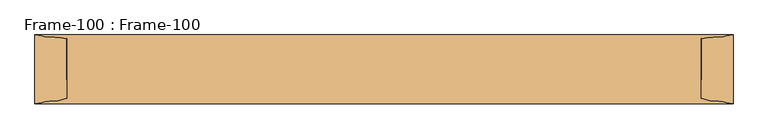
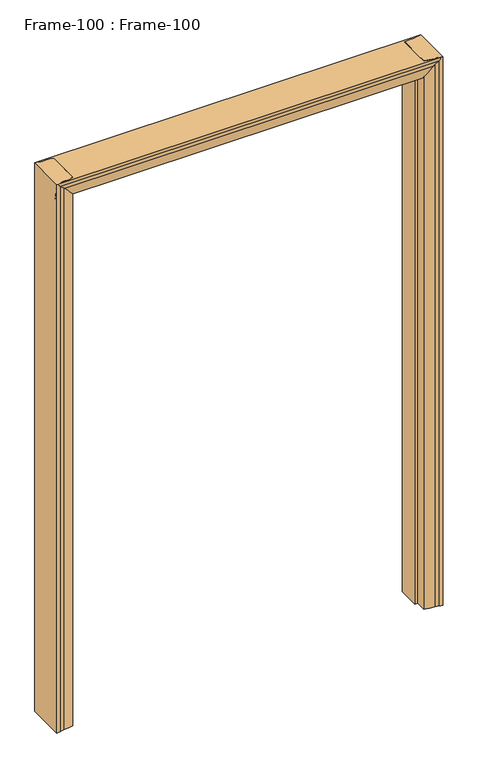
"""IFC4 building model written with IfcOpenShell, lengths in millimetres: door geometry, Frame-100 : Frame-100."""

from ifc_helpers import new_model, si_unit, frame, origin, place, context, project, spatial, polyline, circle_curve, ellipse_curve, source, transform, mapped, element, save
from ifc_brep_helpers import plane_surface, cylinder_surface, revolved_surface, advanced_brep


def frame_100_frame_100_92fc3688(model_context):
    return source(origin(), model_context, "Body", "AdvancedBrep", [
        advanced_brep(
        [(-838.2, 82.55, 0.0), (-822.7106804, 80.0334981, 0.0), (-805.2091669, 76.956654, 0.0), (-790.0430108, 76.956654, 0.0), (-749.3, 69.85, 0.0), (-749.3, -25.4, 0.0), (-762.0, -25.4, 0.0), (-762.0, -69.85, 0.0), (-805.2091669, -76.956654, 0.0), (-822.7106804, -80.0334981, 0.0), (-838.2, -82.55, 0.0), (-838.2, -82.55, 2514.6), (-838.2, 82.55, 2514.6), (-822.7106804, -80.0334981, 2514.6), (-805.2091669, -76.956654, 2514.6), (-762.0, -69.85, 2514.6), (-762.0, -25.4, 2514.6), (-749.3, -25.4, 2501.9), (-749.3, 69.85, 2501.9), (-790.0430108, 76.956654, 2514.6), (-762.0, 73.6437313, 2514.6), (-805.2091669, 76.956654, 2514.6), (-822.7106804, 80.0334981, 2514.6)],
        [
            (0, 1, circle_curve(frame((-837.1670501, 39.9805064, 0.0), z_axis=(0.0, 0.0, -1.0), x_axis=(-1.0, 0.0, 0.0)), 42.582024)),
            (1, 2, circle_curve(frame((-805.1225129, 128.7634863, 0.0), z_axis=(0.0, 0.0, 1.0), x_axis=(-1.0, 0.0, 0.0)), 51.8069048)),
            (2, 3),
            (3, 4, circle_curve(frame((-790.0430108, -43.3881292, 0.0), z_axis=(0.0, 0.0, -1.0), x_axis=(-1.0, 0.0, 0.0)), 120.3447831)),
            (4, 5),
            (5, 6),
            (6, 7),
            (7, 8, circle_curve(frame((-805.4371432, 59.3408202, 0.0), z_axis=(0.0, 0.0, -1.0), x_axis=(-1.0, 0.0, 0.0)), 136.2976648)),
            (8, 9, circle_curve(frame((-805.1225129, -128.7634863, 0.0), z_axis=(0.0, 0.0, 1.0), x_axis=(-1.0, 0.0, 0.0)), 51.8069047)),
            (9, 10, circle_curve(frame((-837.1670501, -39.9805064, 0.0), z_axis=(0.0, 0.0, -1.0), x_axis=(-1.0, 0.0, 0.0)), 42.582024)),
            (10, 0),
            (10, 11),
            (11, 12),
            (12, 0),
            (9, 13),
            (13, 11, circle_curve(frame((-837.1670501, -39.9805064, 2514.6), z_axis=(0.0, 0.0, -1.0), x_axis=(-1.0, 0.0, 0.0)), 42.582024)),
            (8, 14),
            (14, 13, circle_curve(frame((-805.1225129, -128.7634863, 2514.6), z_axis=(0.0, 0.0, 1.0), x_axis=(-1.0, 0.0, 0.0)), 51.8069047)),
            (7, 15),
            (15, 14, circle_curve(frame((-805.4371432, 59.3408202, 2514.6), z_axis=(0.0, 0.0, -1.0), x_axis=(-1.0, 0.0, 0.0)), 136.2976648)),
            (6, 16),
            (16, 15),
            (5, 17),
            (17, 16),
            (4, 18),
            (18, 17),
            (3, 19),
            (19, 20, circle_curve(frame((-790.0430108, -43.3881292, 2514.6), z_axis=(0.0, 0.0, -1.0), x_axis=(-1.0, 0.0, 0.0)), 120.3447831)),
            (20, 18, ellipse_curve(frame((-790.0430108, -43.3881292, 2542.6430108), z_axis=(-0.707106781186545, 0.0, -0.7071067811865501), x_axis=(0.7071067811865502, 0.0, -0.7071067811865448)), 170.1932244, 120.3447831)),
            (2, 21),
            (21, 19),
            (1, 22),
            (22, 21, circle_curve(frame((-805.1225129, 128.7634863, 2514.6), z_axis=(0.0, 0.0, 1.0), x_axis=(-1.0, 0.0, 0.0)), 51.8069048)),
            (12, 22, circle_curve(frame((-837.1670501, 39.9805064, 2514.6), z_axis=(0.0, 0.0, -1.0), x_axis=(-1.0, 0.0, 0.0)), 42.582024)),
            (20, 16),
        ],
        [
            plane_surface(frame((-838.2, -69.85, 0.0), z_axis=(0.0, 0.0, -1.0), x_axis=(0.0, 1.0, 0.0))),
            plane_surface(frame((-838.2, 82.55, 0.0), z_axis=(-1.0, 0.0, 0.0), x_axis=(0.0, 0.0, 1.0))),
            cylinder_surface(frame((-837.1670501, -39.9805064, 0.0), z_axis=(0.0, 0.0, -1.0), x_axis=(-1.0, 0.0, 0.0)), 42.582024),
            revolved_surface(polyline([(-856.9294176, -128.7634863, 2514.6), (-856.9294176, -128.7634863, 0.0)]), (-805.1225129, -128.7634863, 0.0), (0.0, 0.0, 1.0)),
            cylinder_surface(frame((-805.4371432, 59.3408202, 0.0), z_axis=(0.0, 0.0, -1.0), x_axis=(-1.0, 0.0, 0.0)), 136.2976648),
            plane_surface(frame((-762.0, -69.85, 0.0), z_axis=(1.0, 0.0, 0.0), x_axis=(0.0, 0.0, 1.0))),
            plane_surface(frame((-762.0, -25.4, 0.0), z_axis=(0.0, -1.0, 0.0), x_axis=(0.0, 0.0, 1.0))),
            plane_surface(frame((-749.3, -25.4, 0.0), z_axis=(1.0, 0.0, 0.0), x_axis=(0.0, 0.0, 1.0))),
            cylinder_surface(frame((-790.0430108, -43.3881292, 0.0), z_axis=(0.0, 0.0, -1.0), x_axis=(-1.0, 0.0, 0.0)), 120.3447831),
            plane_surface(frame((-790.0430108, 76.956654, 0.0), z_axis=(0.0, 1.0, 0.0), x_axis=(0.0, 0.0, 1.0))),
            revolved_surface(polyline([(-856.9294176999999, 128.7634863, 2514.6), (-856.9294176999999, 128.7634863, 0.0)]), (-805.1225129, 128.7634863, 0.0), (0.0, 0.0, 1.0)),
            cylinder_surface(frame((-837.1670501, 39.9805064, 0.0), z_axis=(0.0, 0.0, -1.0), x_axis=(-1.0, 0.0, 0.0)), 42.582024),
            plane_surface(frame((-762.0, 107.95, 2514.6), z_axis=(0.707106781186545, 0.0, 0.7071067811865501), x_axis=(0.0, -1.0, 0.0))),
            plane_surface(frame((-838.2, -69.85, 2514.6), z_axis=(0.0, 0.0, 1.0), x_axis=(0.0, 1.0, 0.0))),
        ],
        [
            (0, [[1, 2, 3, 4, 5, 6, 7, 8, 9, 10, 11]]),
            (1, [[12, 13, 14, -11]]),
            (2, [[15, 16, -12, -10]]),
            (3, [[17, 18, -15, -9]]),
            (4, [[19, 20, -17, -8]]),
            (5, [[21, 22, -19, -7]]),
            (6, [[23, 24, -21, -6]]),
            (7, [[25, 26, -23, -5]]),
            (8, [[27, 28, 29, -25, -4]]),
            (9, [[30, 31, -27, -3]]),
            (10, [[32, 33, -30, -2]]),
            (11, [[-14, 34, -32, -1]]),
            (12, [[35, -24, -26, -29]]),
            (13, [[-13, -16, -18, -20, -22, -35, -28, -31, -33, -34]]),
        ],
    ),
        advanced_brep(
        [(838.2, 82.55, 0.0), (838.2, -82.55, 0.0), (822.7106804, -80.0334981, 0.0), (805.2091669, -76.956654, 0.0), (762.0, -69.85, 0.0), (762.0, -25.4, 0.0), (749.3, -25.4, 0.0), (749.3, 69.85, 0.0), (790.0430108, 76.956654, 0.0), (805.2091669, 76.956654, 0.0), (822.7106804, 80.0334981, 0.0), (822.7106804, 80.0334981, 2514.6), (838.2, 82.55, 2514.6), (805.2091669, 76.956654, 2514.6), (790.0430108, 76.956654, 2514.6), (749.3, 69.85, 2501.9), (762.0, 73.6437313, 2514.6), (749.3, -25.4, 2501.9), (762.0, -25.4, 2514.6), (762.0, -69.85, 2514.6), (805.2091669, -76.956654, 2514.6), (822.7106804, -80.0334981, 2514.6), (838.2, -82.55, 2514.6)],
        [
            (0, 1),
            (1, 2, circle_curve(frame((837.1670501, -39.9805064, 0.0), z_axis=(0.0, 0.0, -1.0), x_axis=(-1.0, 0.0, 0.0)), 42.582024)),
            (2, 3, circle_curve(frame((805.1225129, -128.7634863, 0.0), z_axis=(0.0, 0.0, 1.0), x_axis=(-1.0, 0.0, 0.0)), 51.8069048)),
            (3, 4, circle_curve(frame((805.4371432, 59.3408202, 0.0), z_axis=(0.0, 0.0, -1.0), x_axis=(-1.0, 0.0, 0.0)), 136.2976648)),
            (4, 5),
            (5, 6),
            (6, 7),
            (7, 8, circle_curve(frame((790.0430108, -43.3881292, 0.0), z_axis=(0.0, 0.0, -1.0), x_axis=(-1.0, 0.0, 0.0)), 120.3447831)),
            (8, 9),
            (9, 10, circle_curve(frame((805.1225129, 128.7634863, 0.0), z_axis=(0.0, 0.0, 1.0), x_axis=(-1.0, 0.0, 0.0)), 51.8069048)),
            (10, 0, circle_curve(frame((837.1670501, 39.9805064, 0.0), z_axis=(0.0, 0.0, -1.0), x_axis=(-1.0, 0.0, 0.0)), 42.582024)),
            (10, 11),
            (11, 12, circle_curve(frame((837.1670501, 39.9805064, 2514.6), z_axis=(0.0, 0.0, -1.0), x_axis=(-1.0, 0.0, 0.0)), 42.582024)),
            (12, 0),
            (9, 13),
            (13, 11, circle_curve(frame((805.1225129, 128.7634863, 2514.6), z_axis=(0.0, 0.0, 1.0), x_axis=(-1.0, 0.0, 0.0)), 51.8069048)),
            (8, 14),
            (14, 13),
            (7, 15),
            (15, 16, ellipse_curve(frame((790.0430108, -43.3881292, 2542.6430108), z_axis=(0.7071067811865462, 0.0, -0.7071067811865488), x_axis=(-0.7071067811865488, 0.0, -0.7071067811865462)), 170.1932244, 120.3447831)),
            (16, 14, circle_curve(frame((790.0430108, -43.3881292, 2514.6), z_axis=(0.0, 0.0, -1.0), x_axis=(-1.0, 0.0, 0.0)), 120.3447831)),
            (6, 17),
            (17, 15),
            (5, 18),
            (18, 17),
            (4, 19),
            (19, 18),
            (3, 20),
            (20, 19, circle_curve(frame((805.4371432, 59.3408202, 2514.6), z_axis=(0.0, 0.0, -1.0), x_axis=(-1.0, 0.0, 0.0)), 136.2976648)),
            (2, 21),
            (21, 20, circle_curve(frame((805.1225129, -128.7634863, 2514.6), z_axis=(0.0, 0.0, 1.0), x_axis=(-1.0, 0.0, 0.0)), 51.8069048)),
            (1, 22),
            (22, 21, circle_curve(frame((837.1670501, -39.9805064, 2514.6), z_axis=(0.0, 0.0, -1.0), x_axis=(-1.0, 0.0, 0.0)), 42.582024)),
            (12, 22),
            (18, 16),
        ],
        [
            plane_surface(frame((838.2, -69.85, 0.0), z_axis=(0.0, 0.0, -1.0), x_axis=(0.0, 1.0, 0.0))),
            cylinder_surface(frame((837.1670501, 39.9805064, 0.0), z_axis=(0.0, 0.0, -1.0), x_axis=(-1.0, 0.0, 0.0)), 42.582024),
            revolved_surface(polyline([(753.3156081, 128.7634863, 2514.6), (753.3156081, 128.7634863, 0.0)]), (805.1225129, 128.7634863, 0.0), (0.0, 0.0, 1.0)),
            plane_surface(frame((805.2091669, 76.956654, 0.0), z_axis=(0.0, 1.0, 0.0), x_axis=(0.0, 0.0, 1.0))),
            cylinder_surface(frame((790.0430108, -43.3881292, 0.0), z_axis=(0.0, 0.0, -1.0), x_axis=(-1.0, 0.0, 0.0)), 120.3447831),
            plane_surface(frame((749.3, 69.85, 0.0), z_axis=(-1.0, 0.0, 0.0), x_axis=(0.0, 0.0, 1.0))),
            plane_surface(frame((749.3, -25.4, 0.0), z_axis=(0.0, -1.0, 0.0), x_axis=(0.0, 0.0, 1.0))),
            plane_surface(frame((762.0, -25.4, 0.0), z_axis=(-1.0, 0.0, 0.0), x_axis=(0.0, 0.0, 1.0))),
            cylinder_surface(frame((805.4371432, 59.3408202, 0.0), z_axis=(0.0, 0.0, -1.0), x_axis=(-1.0, 0.0, 0.0)), 136.2976648),
            revolved_surface(polyline([(753.3156081, -128.7634863, 2514.6), (753.3156081, -128.7634863, 0.0)]), (805.1225129, -128.7634863, 0.0), (0.0, 0.0, 1.0)),
            cylinder_surface(frame((837.1670501, -39.9805064, 0.0), z_axis=(0.0, 0.0, -1.0), x_axis=(-1.0, 0.0, 0.0)), 42.582024),
            plane_surface(frame((838.2, -82.55, 0.0), z_axis=(1.0, 0.0, 0.0), x_axis=(0.0, 0.0, 1.0))),
            plane_surface(frame((723.9, 107.95, 2476.5), z_axis=(-0.7071067811865462, 0.0, 0.7071067811865488), x_axis=(0.0, -1.0, 0.0))),
            plane_surface(frame((838.2, -69.85, 2514.6), z_axis=(0.0, 0.0, 1.0), x_axis=(0.0, 1.0, 0.0))),
        ],
        [
            (0, [[1, 2, 3, 4, 5, 6, 7, 8, 9, 10, 11]]),
            (1, [[12, 13, 14, -11]]),
            (2, [[15, 16, -12, -10]]),
            (3, [[17, 18, -15, -9]]),
            (4, [[19, 20, 21, -17, -8]]),
            (5, [[22, 23, -19, -7]]),
            (6, [[24, 25, -22, -6]]),
            (7, [[26, 27, -24, -5]]),
            (8, [[28, 29, -26, -4]]),
            (9, [[30, 31, -28, -3]]),
            (10, [[32, 33, -30, -2]]),
            (11, [[-14, 34, -32, -1]]),
            (12, [[-23, -25, 35, -20]]),
            (13, [[-16, -18, -21, -35, -27, -29, -31, -33, -34, -13]]),
        ],
    ),
        advanced_brep(
        [(-838.2, 82.55, 2514.6), (838.2, 82.55, 2514.6), (838.2, 80.0334981, 2499.1106804), (-838.2, 80.0334981, 2499.1106804), (838.2, 76.956654, 2481.6091669), (-838.2, 76.956654, 2481.6091669), (838.2, 76.956654, 2466.4430108), (-838.2, 76.956654, 2466.4430108), (838.2, 73.6437313, 2438.4), (800.1, 69.85, 2425.7), (-825.5, 69.85, 2425.7), (-838.2, 73.6437313, 2438.4), (800.1, -25.4, 2425.7), (-825.5, -25.4, 2425.7), (-838.2, -25.4, 2438.4), (838.2, -25.4, 2438.4), (838.2, -69.85, 2438.4), (-838.2, -69.85, 2438.4), (838.2, -76.956654, 2481.6091669), (-838.2, -76.956654, 2481.6091669), (838.2, -80.0334981, 2499.1106804), (-838.2, -80.0334981, 2499.1106804), (838.2, -82.55, 2514.6), (-838.2, -82.55, 2514.6)],
        [
            (0, 1),
            (1, 2, circle_curve(frame((838.2, 39.9805064, 2513.5670501), z_axis=(-1.0, 0.0, 0.0), x_axis=(0.0, 0.0, 1.0)), 42.582024)),
            (2, 3),
            (3, 0, circle_curve(frame((-838.2, 39.9805064, 2513.5670501), z_axis=(1.0, 0.0, 0.0), x_axis=(0.0, 0.0, 1.0)), 42.582024)),
            (2, 4, circle_curve(frame((838.2, 128.7634863, 2481.5225129), z_axis=(1.0, 0.0, 0.0), x_axis=(0.0, 0.0, 1.0)), 51.8069048)),
            (4, 5),
            (5, 3, circle_curve(frame((-838.2, 128.7634863, 2481.5225129), z_axis=(-1.0, 0.0, 0.0), x_axis=(0.0, 0.0, 1.0)), 51.8069048)),
            (4, 6),
            (6, 7),
            (7, 5),
            (6, 8, circle_curve(frame((838.2, -43.3881292, 2466.4430108), z_axis=(-1.0, 0.0, 0.0), x_axis=(0.0, 0.0, 1.0)), 120.3447831)),
            (8, 9, ellipse_curve(frame((922.3290324, -43.3881292, 2466.4430108), z_axis=(-0.3162277660168689, 0.0, 0.9486832980505034), x_axis=(-0.9486832980505034, 0.0, -0.31622776601686886)), 380.5636192, 120.3447831)),
            (9, 10),
            (10, 11, ellipse_curve(frame((-866.2430108, -43.3881292, 2466.4430108), z_axis=(0.7071067811865526, 0.0, 0.7071067811865426), x_axis=(-0.7071067811865424, 0.0, 0.7071067811865526)), 170.1932244, 120.3447831)),
            (11, 7, circle_curve(frame((-838.2, -43.3881292, 2466.4430108), z_axis=(1.0, 0.0, 0.0), x_axis=(0.0, 0.0, 1.0)), 120.3447831)),
            (12, 13),
            (13, 10),
            (9, 12),
            (14, 13),
            (12, 15),
            (15, 14),
            (15, 16),
            (16, 17),
            (17, 14),
            (16, 18, circle_curve(frame((838.2, 59.3408202, 2481.8371432), z_axis=(-1.0, 0.0, 0.0), x_axis=(0.0, 0.0, 1.0)), 136.2976648)),
            (18, 19),
            (19, 17, circle_curve(frame((-838.2, 59.3408202, 2481.8371432), z_axis=(1.0, 0.0, 0.0), x_axis=(0.0, 0.0, 1.0)), 136.2976648)),
            (18, 20, circle_curve(frame((838.2, -128.7634863, 2481.5225129), z_axis=(1.0, 0.0, 0.0), x_axis=(0.0, 0.0, 1.0)), 51.8069048)),
            (20, 21),
            (21, 19, circle_curve(frame((-838.2, -128.7634863, 2481.5225129), z_axis=(-1.0, 0.0, 0.0), x_axis=(0.0, 0.0, 1.0)), 51.8069048)),
            (20, 22, circle_curve(frame((838.2, -39.9805064, 2513.5670501), z_axis=(-1.0, 0.0, 0.0), x_axis=(0.0, 0.0, 1.0)), 42.582024)),
            (22, 23),
            (23, 21, circle_curve(frame((-838.2, -39.9805064, 2513.5670501), z_axis=(1.0, 0.0, 0.0), x_axis=(0.0, 0.0, 1.0)), 42.582024)),
            (22, 1),
            (0, 23),
            (8, 15),
            (14, 11),
        ],
        [
            cylinder_surface(frame((-838.2, 39.9805064, 2513.5670501), z_axis=(-1.0, 0.0, 0.0), x_axis=(0.0, 0.0, 1.0)), 42.582024),
            revolved_surface(polyline([(838.2, 128.7634863, 2533.3294177000002), (-838.2, 128.7634863, 2533.3294177000002)]), (-838.2, 128.7634863, 2481.5225129), (1.0, 0.0, 0.0)),
            plane_surface(frame((-838.2, 76.956654, 2466.4430108), z_axis=(0.0, 1.0, 0.0), x_axis=(1.0, 0.0, 0.0))),
            cylinder_surface(frame((-838.2, -43.3881292, 2466.4430108), z_axis=(-1.0, 0.0, 0.0), x_axis=(0.0, 0.0, 1.0)), 120.3447831),
            plane_surface(frame((-838.2, -25.4, 2425.7), z_axis=(0.0, 0.0, -1.0), x_axis=(1.0, 0.0, 0.0))),
            plane_surface(frame((-838.2, -25.4, 2438.4), z_axis=(0.0, -1.0, 0.0), x_axis=(1.0, 0.0, 0.0))),
            plane_surface(frame((-838.2, -69.85, 2438.4), z_axis=(0.0, 0.0, -1.0), x_axis=(1.0, 0.0, 0.0))),
            cylinder_surface(frame((-838.2, 59.3408202, 2481.8371432), z_axis=(-1.0, 0.0, 0.0), x_axis=(0.0, 0.0, 1.0)), 136.2976648),
            revolved_surface(polyline([(838.2, -128.7634863, 2533.3294177000002), (-838.2, -128.7634863, 2533.3294177000002)]), (-838.2, -128.7634863, 2481.5225129), (1.0, 0.0, 0.0)),
            cylinder_surface(frame((-838.2, -39.9805064, 2513.5670501), z_axis=(-1.0, 0.0, 0.0), x_axis=(0.0, 0.0, 1.0)), 42.582024),
            plane_surface(frame((-838.2, 82.55, 2514.6), z_axis=(0.0, 0.0, 1.0), x_axis=(1.0, 0.0, 0.0))),
            plane_surface(frame((838.2, 107.95, 2438.4), z_axis=(0.3162277660168689, 0.0, -0.9486832980505034), x_axis=(0.0, -1.0, 0.0))),
            plane_surface(frame((-800.1, 107.95, 2400.3), z_axis=(-0.7071067811865526, 0.0, -0.7071067811865426), x_axis=(0.0, -1.0, 0.0))),
            plane_surface(frame((-838.2, -69.85, 2514.6), z_axis=(-1.0, 0.0, 0.0), x_axis=(0.0, 1.0, 0.0))),
            plane_surface(frame((838.2, -69.85, 2514.6), z_axis=(1.0, 0.0, 0.0), x_axis=(0.0, 1.0, 0.0))),
        ],
        [
            (0, [[1, 2, 3, 4]]),
            (1, [[-3, 5, 6, 7]]),
            (2, [[-6, 8, 9, 10]]),
            (3, [[11, 12, 13, 14, 15, -9]]),
            (4, [[16, 17, -13, 18]]),
            (5, [[19, -16, 20, 21]]),
            (6, [[-21, 22, 23, 24]]),
            (7, [[-23, 25, 26, 27]]),
            (8, [[-26, 28, 29, 30]]),
            (9, [[-29, 31, 32, 33]]),
            (10, [[-32, 34, -1, 35]]),
            (11, [[36, -20, -18, -12]]),
            (12, [[-14, -17, -19, 37]]),
            (13, [[-4, -7, -10, -15, -37, -24, -27, -30, -33, -35]]),
            (14, [[-34, -31, -28, -25, -22, -36, -11, -8, -5, -2]]),
        ],
    ),
    ])


if __name__ == "__main__":
    model = new_model("IFC4")
    model_context = context("Model", 3, world=origin())
    ifc_project = project(units=[si_unit("LENGTHUNIT", "METRE", prefix="MILLI")], contexts=[model_context])
    site = spatial("IfcSite", under=ifc_project)
    building = spatial("IfcBuilding", under=site)
    placement = place(None, origin())
    frame_100_frame_100_shape = frame_100_frame_100_92fc3688(model_context)
    element("IfcDoor", 1, ObjectType="Frame-100 : Frame-100", at=placement, inside=building, context=model_context, shape_type="MappedRepresentation", body=[
        mapped(frame_100_frame_100_shape, transform((0.0, 0.0, 0.0), x_axis=(1.0, 0.0, 0.0), y_axis=(0.0, 1.0, 0.0), z_axis=(0.0, 0.0, 1.0))),
    ])
    save(model, "model.ifc")
